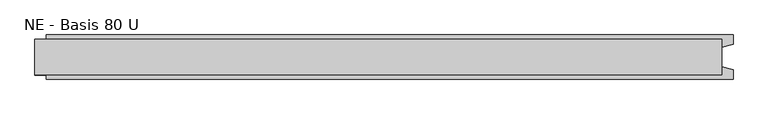
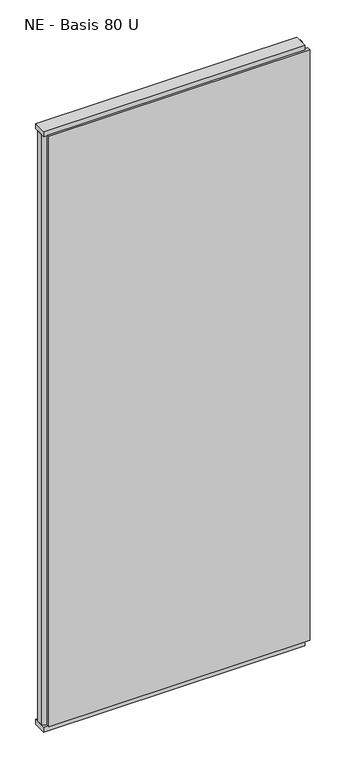
"""IFC4 building model written with IfcOpenShell, lengths in millimetres: plate geometry, NE - Basis 80 U."""

from ifc_helpers import new_model, si_unit, frame, origin, origin_with_axes, place, context, project, spatial, polyline, outline, extrude, source, transform, mapped, element, save


def ne_basis_80_u_62877032(model_context):
    return source(origin(), model_context, "Body", "SweptSolid", [
        extrude(outline(polyline([(637.5, 40.0), (637.5, 22.9993165), (617.5, 17.6401049), (617.5, -17.6401049), (637.5, -22.9993165), (637.5, -40.0), (-597.5, -40.0), (-597.5, -22.9993165), (-617.5, -17.6401049), (-617.5, 17.6401049), (-597.5, 22.9993165), (-597.5, 40.0), (637.5, 40.0)])), frame((0.0, 0.0, 25.0), z_axis=(0.0, 0.0, 1.0), x_axis=(1.0, 0.0, 0.0)), (0.0, 0.0, 1.0), 2950.0),
        extrude(outline(polyline([(617.5, 32.0), (617.5, -32.0), (-617.5, -32.0), (-617.5, 32.0), (617.5, 32.0)])), origin_with_axes(), (0.0, 0.0, 1.0), 25.0),
        extrude(outline(polyline([(617.5, 32.0), (617.5, -32.0), (-617.5, -32.0), (-617.5, 32.0), (617.5, 32.0)])), frame((0.0, 0.0, 2975.0), z_axis=(0.0, 0.0, 1.0), x_axis=(1.0, 0.0, 0.0)), (0.0, 0.0, 1.0), 25.0),
    ])


if __name__ == "__main__":
    model = new_model("IFC4")
    model_context = context("Model", 3, world=origin())
    ifc_project = project(units=[si_unit("LENGTHUNIT", "METRE", prefix="MILLI")], contexts=[model_context])
    site = spatial("IfcSite", under=ifc_project)
    building = spatial("IfcBuilding", under=site)
    placement = place(None, origin())
    ne_basis_80_u_shape = ne_basis_80_u_62877032(model_context)
    element("IfcPlate", 1, ObjectType="NE - Basis 80 U", at=placement, inside=building, context=model_context, shape_type="MappedRepresentation", body=[
        mapped(ne_basis_80_u_shape, transform((0.0, 0.0, 0.0), x_axis=(1.0, 0.0, 0.0), y_axis=(0.0, 1.0, 0.0), z_axis=(0.0, 0.0, 1.0))),
    ])
    save(model, "model.ifc")
